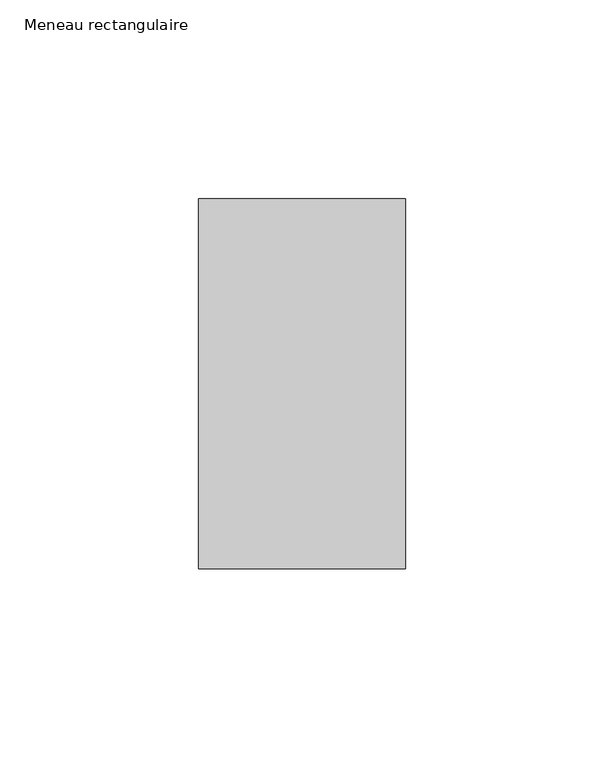
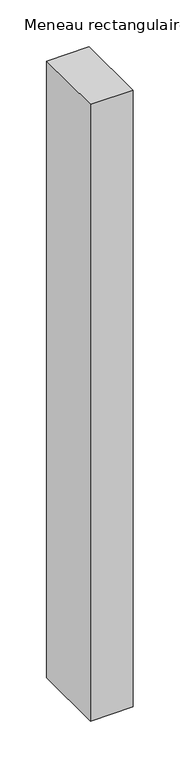
"""IFC4 building model written with IfcOpenShell, lengths in millimetres: member geometry, Meneau rectangulaire."""

from ifc_helpers import new_model, si_unit, frame, origin, place, context, project, spatial, polyline, outline, extrude, source, transform, mapped, element, save


def meneau_rectangulaire_7182859f(model_context):
    return source(origin(), model_context, "Body", "SweptSolid", [
        extrude(outline(polyline([(-52.0, 46.5), (0.0, 46.5), (0.0, -46.5), (-52.0, -46.5), (-52.0, 46.5)])), frame((0.0, 0.0, -800.7695155), z_axis=(0.0, 0.0, 1.0), x_axis=(1.0, 0.0, 0.0)), (0.0, 0.0, 1.0), 800.7695155),
    ])


if __name__ == "__main__":
    model = new_model("IFC4")
    model_context = context("Model", 3, world=origin())
    ifc_project = project(units=[si_unit("LENGTHUNIT", "METRE", prefix="MILLI")], contexts=[model_context])
    site = spatial("IfcSite", under=ifc_project)
    building = spatial("IfcBuilding", under=site)
    placement = place(None, origin())
    meneau_rectangulaire_shape = meneau_rectangulaire_7182859f(model_context)
    element("IfcMember", 1, ObjectType="Meneau rectangulaire", at=placement, inside=building, context=model_context, shape_type="MappedRepresentation", body=[
        mapped(meneau_rectangulaire_shape, transform((0.0, 0.0, 0.0), x_axis=(1.0, 0.0, 0.0), y_axis=(0.0, 1.0, 0.0), z_axis=(0.0, 0.0, 1.0))),
    ])
    save(model, "model.ifc")
